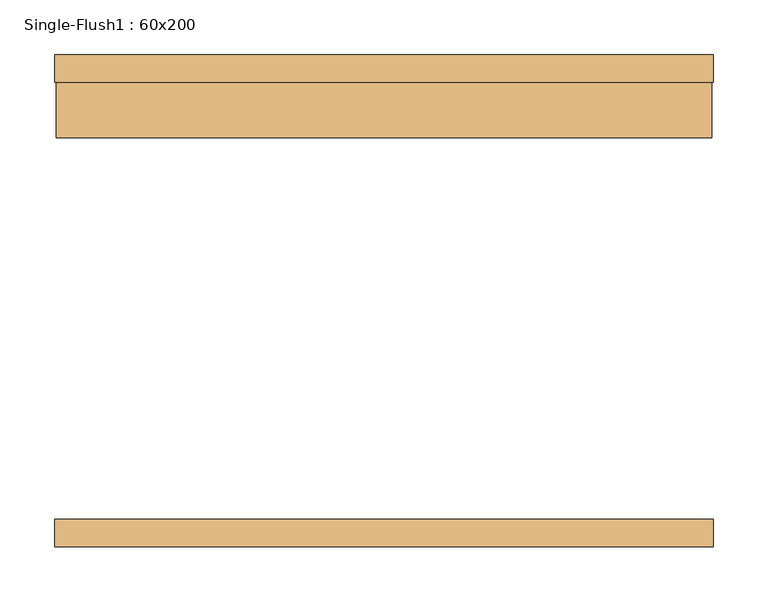
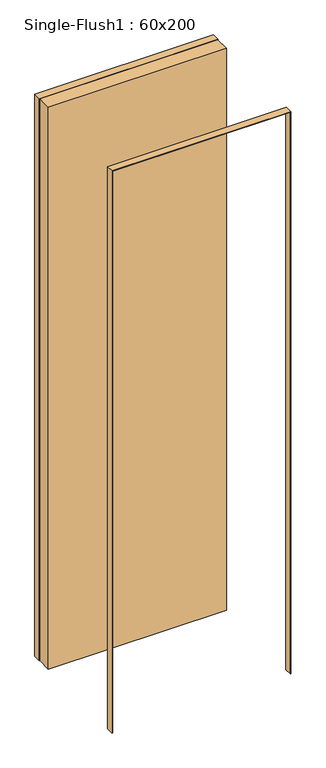
"""IFC4 building model written with IfcOpenShell, lengths in millimetres: door geometry, Single-Flush1 : 60x200."""

from ifc_helpers import new_model, si_unit, frame, origin, origin_with_axes, place, context, project, spatial, polyline, outline, extrude, source, transform, mapped, element, save


def single_flush1_60x200_412bef2b(model_context):
    return source(origin(), model_context, "Body", "SweptSolid", [
        extrude(outline(polyline([(2001.5875, -301.5875), (0.0, -301.5875), (0.0, -300.0), (2000.0, -300.0), (2000.0, 300.0), (0.0, 300.0), (0.0, 301.5875), (2001.5875, 301.5875), (2001.5875, -301.5875)])), frame((0.0, 200.0, 0.0), z_axis=(0.0, 1.0, 0.0), x_axis=(0.0, 0.0, 1.0)), (0.0, 0.0, 1.0), 25.4),
        extrude(outline(polyline([(2001.5875, 301.5875), (2001.5875, -301.5875), (0.0, -301.5875), (0.0, -300.0), (2000.0, -300.0), (2000.0, 300.0), (0.0, 300.0), (0.0, 301.5875), (2001.5875, 301.5875)])), frame((0.0, -225.4, 0.0), z_axis=(0.0, 1.0, 0.0), x_axis=(0.0, 0.0, 1.0)), (0.0, 0.0, 1.0), 25.4),
        extrude(outline(polyline([(300.0, 149.2), (-300.0, 149.2), (-300.0, 200.0), (300.0, 200.0), (300.0, 149.2)])), origin_with_axes(), (0.0, 0.0, 1.0), 2000.0),
    ])


if __name__ == "__main__":
    model = new_model("IFC4")
    model_context = context("Model", 3, world=origin())
    ifc_project = project(units=[si_unit("LENGTHUNIT", "METRE", prefix="MILLI")], contexts=[model_context])
    site = spatial("IfcSite", under=ifc_project)
    building = spatial("IfcBuilding", under=site)
    placement = place(None, origin())
    single_flush1_60x200_shape = single_flush1_60x200_412bef2b(model_context)
    element("IfcDoor", 1, ObjectType="Single-Flush1 : 60x200", at=placement, inside=building, context=model_context, shape_type="MappedRepresentation", body=[
        mapped(single_flush1_60x200_shape, transform((0.0, 0.0, 0.0), x_axis=(1.0, 0.0, 0.0), y_axis=(0.0, 1.0, 0.0), z_axis=(0.0, 0.0, 1.0))),
    ])
    save(model, "model.ifc")
